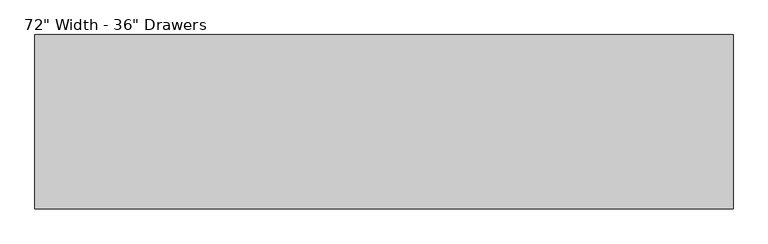
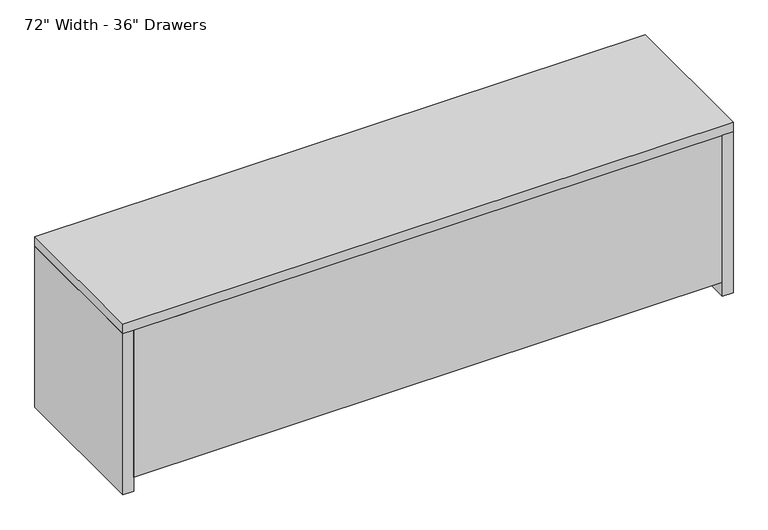
"""IFC4 building model written with IfcOpenShell, lengths in millimetres: furniture geometry."""

from ifc_helpers import new_model, si_unit, frame, origin, origin_with_axes, place, context, project, spatial, polyline, outline, extrude, source, transform, mapped, element, save


def furniture_cefcc0d5(model_context):
    return source(origin(), model_context, "Body", "SweptSolid", [
        extrude(outline(polyline([(438.15, 50.8), (438.15, 354.0125), (444.5, 354.0125), (444.5, 339.725), (457.2, 339.725), (457.2, 50.8), (438.15, 50.8)])), frame((-187.325, 0.0, 0.0), z_axis=(1.0, 0.0, 0.0), x_axis=(0.0, 1.0, 0.0)), (0.0, 0.0, 1.0), 914.4),
        extrude(outline(polyline([(438.15, 357.1875), (438.15, 509.5875), (444.5, 509.5875), (444.5, 495.3), (457.2, 495.3), (457.2, 357.1875), (438.15, 357.1875)])), frame((-187.325, 0.0, 0.0), z_axis=(1.0, 0.0, 0.0), x_axis=(0.0, 1.0, 0.0)), (0.0, 0.0, 1.0), 914.4),
        extrude(outline(polyline([(-190.5, 19.05), (-1035.05, 19.05), (-1035.05, 436.5625), (-190.5, 436.5625), (-190.5, 19.05)])), frame((0.0, 0.0, 355.6), z_axis=(0.0, 0.0, 1.0), x_axis=(1.0, 0.0, 0.0)), (0.0, 0.0, 1.0), 19.05),
        extrude(outline(polyline([(730.25, 19.05), (-171.45, 19.05), (-171.45, 436.5625), (730.25, 436.5625), (730.25, 19.05)])), frame((0.0, 0.0, 355.6), z_axis=(0.0, 0.0, 1.0), x_axis=(1.0, 0.0, 0.0)), (0.0, 0.0, 1.0), 19.05),
        extrude(outline(polyline([(438.15, 44.45), (436.5625, 44.45), (436.5625, 61.9125), (20.6375, 61.9125), (20.6375, 44.45), (19.05, 44.45), (19.05, 63.5), (438.15, 63.5), (438.15, 44.45)])), frame((-1035.05, 0.0, 0.0), z_axis=(1.0, 0.0, 0.0), x_axis=(0.0, 1.0, 0.0)), (0.0, 0.0, 1.0), 1765.3),
        extrude(outline(polyline([(-171.45, 438.15), (-171.45, 19.05), (-190.5, 19.05), (-190.5, 438.15), (-171.45, 438.15)])), frame((0.0, 0.0, 63.5), z_axis=(0.0, 0.0, 1.0), x_axis=(1.0, 0.0, 0.0)), (0.0, 0.0, 1.0), 446.0875),
        extrude(outline(polyline([(-1066.8, 0.0), (-1066.8, 457.2), (-1035.05, 457.2), (-1035.05, 0.0), (-1066.8, 0.0)])), origin_with_axes(), (0.0, 0.0, 1.0), 509.5875),
        extrude(outline(polyline([(762.0, 457.2), (762.0, 0.0), (730.25, 0.0), (730.25, 457.2), (762.0, 457.2)])), origin_with_axes(), (0.0, 0.0, 1.0), 509.5875),
        extrude(outline(polyline([(762.0, 0.0), (-1066.8, 0.0), (-1066.8, 457.2), (762.0, 457.2), (762.0, 0.0)])), frame((0.0, 0.0, 509.5875), z_axis=(0.0, 0.0, 1.0), x_axis=(1.0, 0.0, 0.0)), (0.0, 0.0, 1.0), 30.1625),
        extrude(outline(polyline([(730.25, 0.0), (-1035.05, 0.0), (-1035.05, 19.05), (730.25, 19.05), (730.25, 0.0)])), frame((0.0, 0.0, 44.45), z_axis=(0.0, 0.0, 1.0), x_axis=(1.0, 0.0, 0.0)), (0.0, 0.0, 1.0), 465.1375),
    ])


if __name__ == "__main__":
    model = new_model("IFC4")
    model_context = context("Model", 3, world=origin())
    ifc_project = project(units=[si_unit("LENGTHUNIT", "METRE", prefix="MILLI")], contexts=[model_context])
    site = spatial("IfcSite", under=ifc_project)
    building = spatial("IfcBuilding", under=site)
    placement = place(None, origin())
    furniture_shape = furniture_cefcc0d5(model_context)
    element("IfcFurniture", 1, ObjectType="72\" Width - 36\" Drawers", at=placement, inside=building, context=model_context, shape_type="MappedRepresentation", body=[
        mapped(furniture_shape, transform((0.0, 0.0, 0.0), x_axis=(1.0, 0.0, 0.0), y_axis=(0.0, 1.0, 0.0), z_axis=(0.0, 0.0, 1.0))),
    ])
    save(model, "model.ifc")
